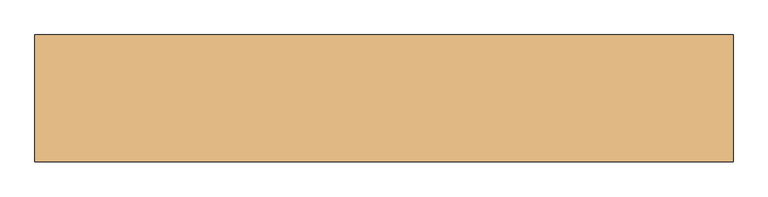
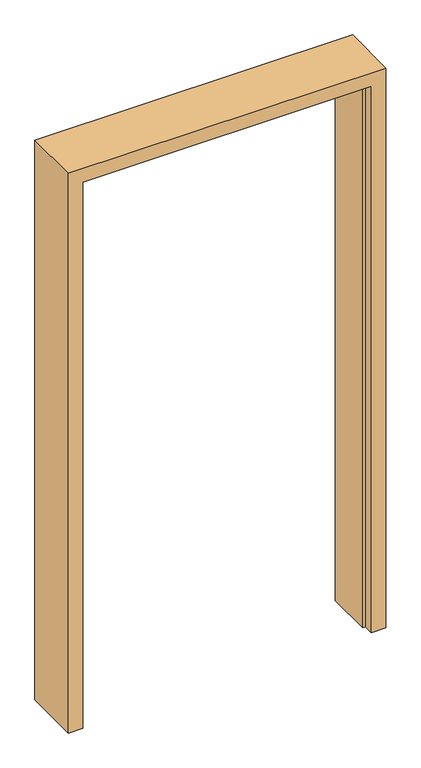
"""IFC4 building model written with IfcOpenShell, lengths in millimetres: door geometry."""

from ifc_helpers import new_model, si_unit, frame, origin, place, context, project, spatial, polyline, outline, extrude, source, transform, mapped, element, save


def door_f0d10000(model_context):
    return source(origin(), model_context, "Body", "SweptSolid", [
        extrude(outline(polyline([(0.0, 550.0), (2050.0, 550.0), (2050.0, -550.0), (0.0, -550.0), (0.0, -500.0), (2000.0, -500.0), (2000.0, 500.0), (0.0, 500.0), (0.0, 550.0)])), frame((0.0, -100.0, 0.0), z_axis=(0.0, 1.0, 0.0), x_axis=(0.0, 0.0, 1.0)), (0.0, 0.0, 1.0), 200.0),
        extrude(outline(polyline([(0.0, 500.0), (2000.0, 500.0), (2000.0, -500.0), (0.0, -500.0), (0.0, -490.0), (1990.0, -490.0), (1990.0, 490.0), (0.0, 490.0), (0.0, 500.0)])), frame((0.0, -65.0, 0.0), z_axis=(0.0, 1.0, 0.0), x_axis=(0.0, 0.0, 1.0)), (0.0, 0.0, 1.0), 165.0),
    ])


if __name__ == "__main__":
    model = new_model("IFC4")
    model_context = context("Model", 3, world=origin())
    ifc_project = project(units=[si_unit("LENGTHUNIT", "METRE", prefix="MILLI")], contexts=[model_context])
    site = spatial("IfcSite", under=ifc_project)
    building = spatial("IfcBuilding", under=site)
    placement = place(None, origin())
    door_shape = door_f0d10000(model_context)
    element("IfcDoor", 1, at=placement, inside=building, context=model_context, shape_type="MappedRepresentation", body=[
        mapped(door_shape, transform((0.0, 0.0, 0.0), x_axis=(1.0, 0.0, 0.0), y_axis=(0.0, 1.0, 0.0), z_axis=(0.0, 0.0, 1.0))),
    ])
    save(model, "model.ifc")
